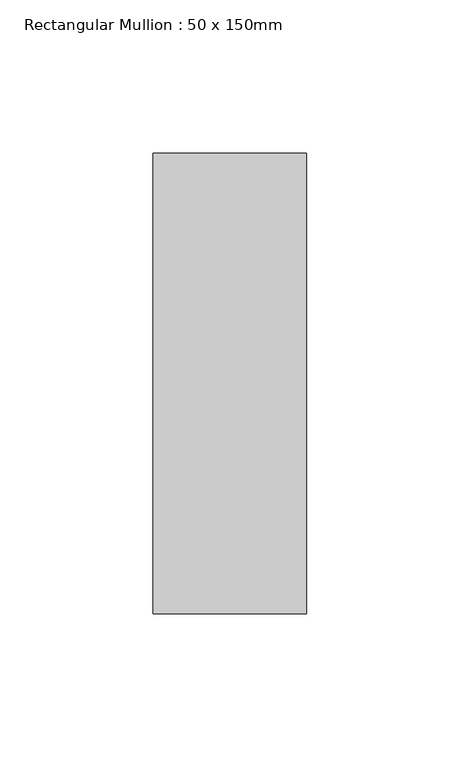
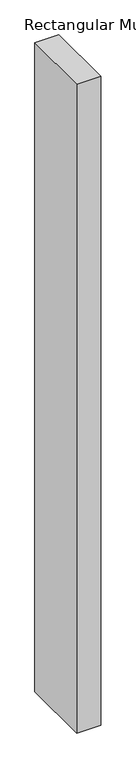
"""IFC4 building model written with IfcOpenShell, lengths in millimetres: member geometry, Rectangular Mullion : 50 x 150mm."""

from ifc_helpers import new_model, si_unit, frame, origin, place, context, project, spatial, polyline, outline, extrude, source, transform, mapped, element, save


def rectangular_mullion_50_x_150mm_7c7b8d17(model_context):
    return source(origin(), model_context, "Body", "SweptSolid", [
        extrude(outline(polyline([(0.0, 75.0), (0.0, -75.0), (-50.0, -75.0), (-50.0, 75.0), (0.0, 75.0)])), frame((0.0, 0.0, -1423.6842105), z_axis=(0.0, 0.0, 1.0), x_axis=(1.0, 0.0, 0.0)), (0.0, 0.0, 1.0), 1423.6842105),
    ])


if __name__ == "__main__":
    model = new_model("IFC4")
    model_context = context("Model", 3, world=origin())
    ifc_project = project(units=[si_unit("LENGTHUNIT", "METRE", prefix="MILLI")], contexts=[model_context])
    site = spatial("IfcSite", under=ifc_project)
    building = spatial("IfcBuilding", under=site)
    placement = place(None, origin())
    rectangular_mullion_50_x_150mm_shape = rectangular_mullion_50_x_150mm_7c7b8d17(model_context)
    element("IfcMember", 1, ObjectType="Rectangular Mullion : 50 x 150mm", at=placement, inside=building, context=model_context, shape_type="MappedRepresentation", body=[
        mapped(rectangular_mullion_50_x_150mm_shape, transform((0.0, 0.0, 0.0), x_axis=(1.0, 0.0, 0.0), y_axis=(0.0, 1.0, 0.0), z_axis=(0.0, 0.0, 1.0))),
    ])
    save(model, "model.ifc")
